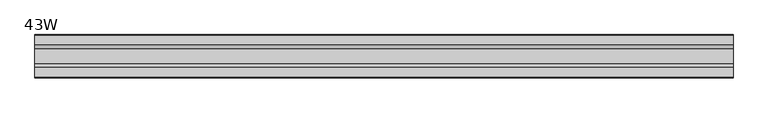
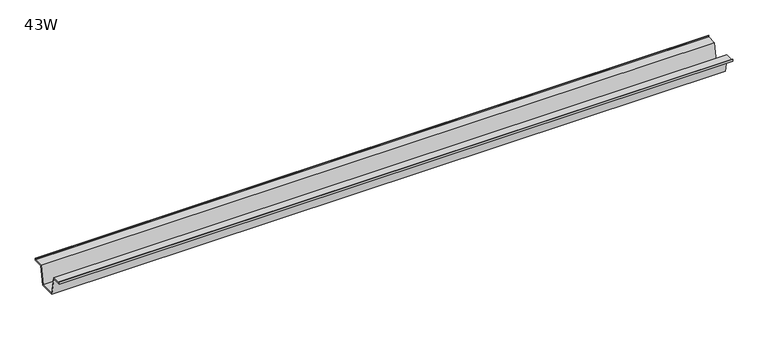
"""IFC4 building model written with IfcOpenShell, lengths in millimetres: furniture geometry, 43W."""

from ifc_helpers import new_model, si_unit, frame, origin, place, context, project, spatial, polyline, outline, extrude, source, transform, mapped, element, save


def furniture_43w_bd4a8c41(model_context):
    return source(origin(), model_context, "Body", "SweptSolid", [
        extrude(outline(polyline([(-22.9397721, 708.025), (-28.502372, 677.7990007), (-53.9023728, 677.7990007), (-59.4649727, 708.025), (-75.3653716, 708.025), (-75.3653716, 711.2), (-74.5716216, 711.2), (-74.5716216, 708.81875), (-58.8172994, 708.81875), (-53.2546995, 678.5927507), (-29.1500453, 678.5927507), (-23.5874454, 708.81875), (-7.8331232, 708.81875), (-7.8331232, 711.2), (-7.0393732, 711.2), (-7.0393732, 708.025), (-22.9397721, 708.025)])), frame((-549.91, 0.0, 0.0), z_axis=(1.0, 0.0, 0.0), x_axis=(0.0, 1.0, 0.0)), (0.0, 0.0, 1.0), 1099.82),
    ])


if __name__ == "__main__":
    model = new_model("IFC4")
    model_context = context("Model", 3, world=origin())
    ifc_project = project(units=[si_unit("LENGTHUNIT", "METRE", prefix="MILLI")], contexts=[model_context])
    site = spatial("IfcSite", under=ifc_project)
    building = spatial("IfcBuilding", under=site)
    placement = place(None, origin())
    furniture_43w_shape = furniture_43w_bd4a8c41(model_context)
    element("IfcFurniture", 1, ObjectType="43W", at=placement, inside=building, context=model_context, shape_type="MappedRepresentation", body=[
        mapped(furniture_43w_shape, transform((0.0, 0.0, 0.0), x_axis=(1.0, 0.0, 0.0), y_axis=(0.0, 1.0, 0.0), z_axis=(0.0, 0.0, 1.0))),
    ])
    save(model, "model.ifc")
